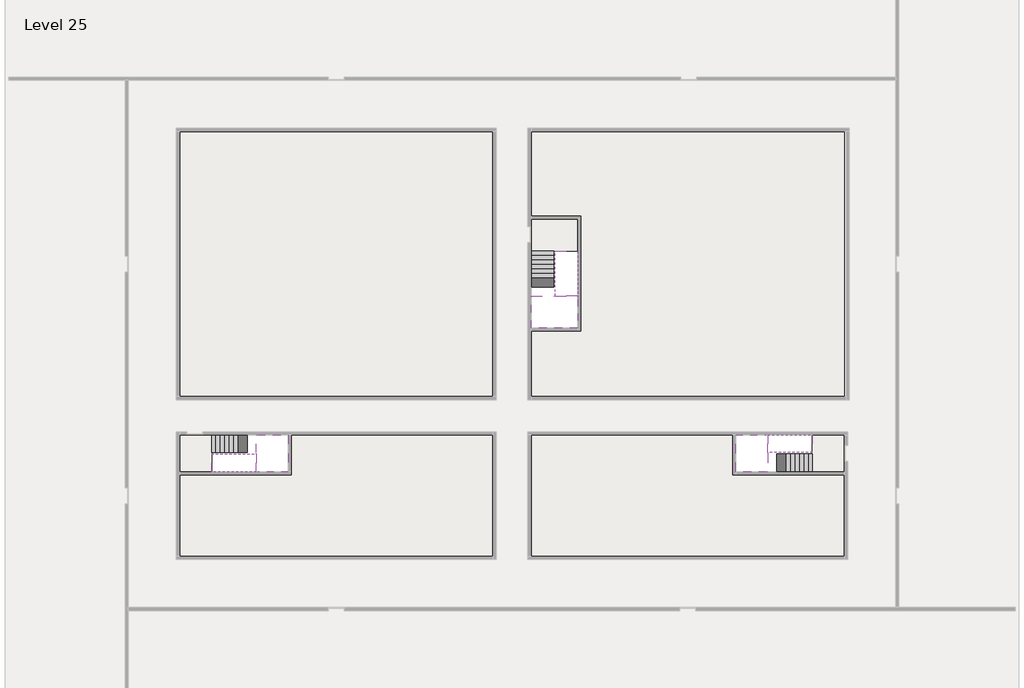
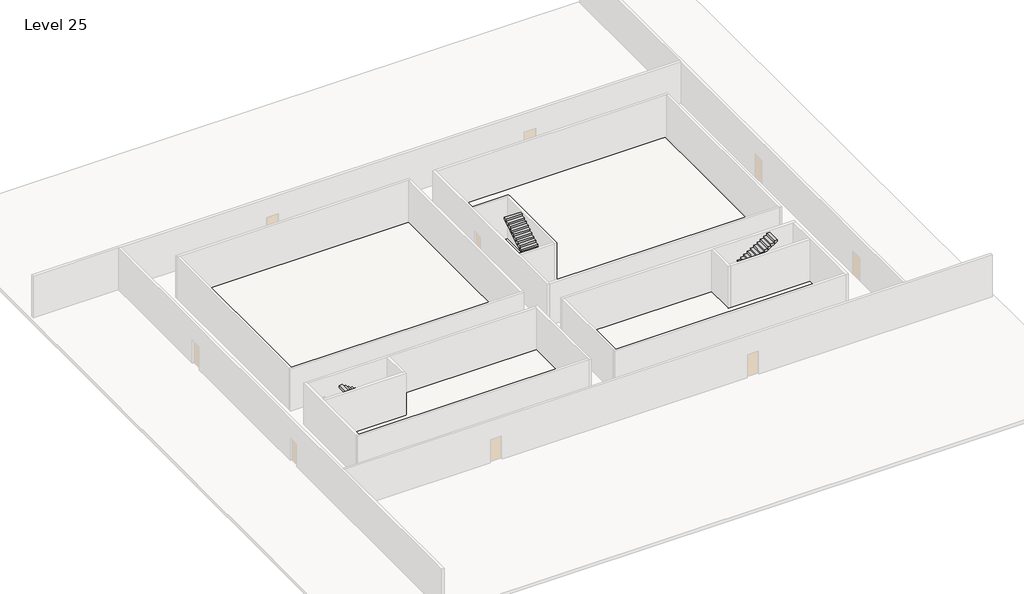
# One storey, part 2 of 2: 6 stair flights, 5 slabs.
"""IFC4 building model written with IfcOpenShell, lengths in millimetres."""

from ifc_helpers import new_model, si_unit, frame, origin, place, context, project, spatial, polyline, outline, extrude, faceted_brep, element, save

model = new_model("IFC4")

# Units and contexts
model_context = context("Model", 3, world=origin())
ifc_project = project(units=[si_unit("LENGTHUNIT", "METRE", prefix="MILLI")], contexts=[model_context])

# Site, building, storey
site = spatial("IfcSite", under=ifc_project)
building = spatial("IfcBuilding", under=site)
storey = spatial("IfcBuildingStorey", under=building, Name="Level 25", Elevation=91200.0)

# Slabs
placement = place(None, origin())
element("IfcSlab", 1, at=placement, inside=storey, context=model_context, shape_type="Brep", body=[
    faceted_brep([(8190.1058784, -42918.09644, 93100.0), (8190.1058784, -44018.09644, 93100.0), (8190.1058784, -44118.09644, 93100.0), (8190.1058784, -45218.09644, 93100.0), (8390.7194421, -45218.09644, 93100.0), (10190.1058784, -45218.09644, 93100.0), (10190.1058784, -42918.09644, 93100.0), (8269.4923146, -42918.09644, 93100.0), (8190.1058784, -42918.09644, 92927.2727273), (8190.1058784, -42918.09644, 92751.0278478), (8190.1058784, -44018.09644, 92751.0278478), (8190.1058784, -44018.09644, 92800.0), (8190.1058784, -44118.09644, 92800.0), (8190.1058784, -44118.09644, 92923.7551205), (8190.1058784, -45218.09644, 92923.7551205), (8390.7194421, -45218.09644, 92800.0), (10190.1058784, -45218.09644, 92800.0), (10190.1058784, -42918.09644, 92800.0), (8269.4923146, -42918.09644, 92800.0), (8390.7194421, -44118.09644, 92800.0), (8269.4923146, -44018.09644, 92800.0)], [[[0, 1, 2, 3, 4, 5, 6, 7]], [[1, 0, 8, 9, 10, 11]], [[2, 1, 11, 12, 13]], [[3, 2, 13, 14]], [[3, 14, 15, 16, 5, 4]], [[6, 5, 16, 17]], [[9, 8, 0, 7, 6, 17, 18]], [[19, 12, 11, 20, 18, 17, 16, 15]], [[12, 19, 13]], [[18, 20, 10, 9]], [[20, 11, 10]], [[19, 15, 14, 13]]]),
])
element("IfcSlab", 2, at=placement, inside=storey, context=model_context, shape_type="Brep", body=[
    faceted_brep([(40190.1058784, -45218.09644, 93100.0), (40190.1058784, -44118.09644, 93100.0), (40190.1058784, -44018.09644, 93100.0), (40190.1058784, -42918.09644, 93100.0), (39989.4923146, -42918.09644, 93100.0), (38190.1058784, -42918.09644, 93100.0), (38190.1058784, -45218.09644, 93100.0), (40110.7194421, -45218.09644, 93100.0), (40190.1058784, -45218.09644, 92927.2727273), (40190.1058784, -45218.09644, 92751.0278478), (40190.1058784, -44118.09644, 92751.0278478), (40190.1058784, -44118.09644, 92800.0), (40190.1058784, -44018.09644, 92800.0), (40190.1058784, -44018.09644, 92923.7551205), (40190.1058784, -42918.09644, 92923.7551205), (39989.4923146, -42918.09644, 92800.0), (38190.1058784, -42918.09644, 92800.0), (38190.1058784, -45218.09644, 92800.0), (40110.7194421, -45218.09644, 92800.0), (39989.4923146, -44018.09644, 92800.0), (40110.7194421, -44118.09644, 92800.0)], [[[0, 1, 2, 3, 4, 5, 6, 7]], [[1, 0, 8, 9, 10, 11]], [[2, 1, 11, 12, 13]], [[3, 2, 13, 14]], [[3, 14, 15, 16, 5, 4]], [[6, 5, 16, 17]], [[9, 8, 0, 7, 6, 17, 18]], [[19, 12, 11, 20, 18, 17, 16, 15]], [[12, 19, 13]], [[18, 20, 10, 9]], [[20, 11, 10]], [[19, 15, 14, 13]]]),
])
element("IfcSlab", 3, at=placement, inside=storey, context=model_context, shape_type="Brep", body=[
    faceted_brep([(26790.1058784, -34218.09644, 93100.0), (25390.1058784, -34218.09644, 93100.0), (25390.1058784, -34297.4828763, 93100.0), (25390.1058784, -36218.09644, 93100.0), (28290.1058784, -36218.09644, 93100.0), (28290.1058784, -34418.7100038, 93100.0), (28290.1058784, -34218.09644, 93100.0), (26890.1058784, -34218.09644, 93100.0), (26790.1058784, -34218.09644, 92800.0), (26790.1058784, -34218.09644, 92751.0278478), (25390.1058784, -34218.09644, 92751.0278478), (25390.1058784, -34218.09644, 92927.2727273), (25390.1058784, -34297.4828763, 92800.0), (25390.1058784, -36218.09644, 92800.0), (28290.1058784, -36218.09644, 92800.0), (28290.1058784, -34418.7100038, 92800.0), (28290.1058784, -34218.09644, 92923.7551205), (26890.1058784, -34218.09644, 92923.7551205), (26890.1058784, -34218.09644, 92800.0), (26890.1058784, -34418.7100038, 92800.0), (26790.1058784, -34297.4828763, 92800.0)], [[[0, 1, 2, 3, 4, 5, 6, 7]], [[1, 0, 8, 9, 10, 11]], [[1, 11, 10, 12, 13, 3, 2]], [[4, 3, 13, 14]], [[4, 14, 15, 16, 6, 5]], [[7, 6, 16, 17]], [[0, 7, 17, 18, 8]], [[18, 19, 15, 14, 13, 12, 20, 8]], [[19, 18, 17]], [[20, 12, 10, 9]], [[8, 20, 9]], [[15, 19, 17, 16]]]),
])
element("IfcSlab", 4, at=placement, inside=storey, context=model_context, shape_type="SweptSolid", body=[
    extrude(outline(polyline([(22990.1058784, -23918.09644), (22990.1058784, -40518.09644), (3390.1058784, -40518.09644), (3390.1058784, -23918.09644), (22990.1058784, -23918.09644)])), frame((0.0, 0.0, 90900.0), z_axis=(0.0, 0.0, 1.0), x_axis=(1.0, 0.0, 0.0)), (0.0, 0.0, 1.0), 300.0),
    extrude(outline(polyline([(44990.1058784, -23918.09644), (44990.1058784, -40518.09644), (25390.1058784, -40518.09644), (25390.1058784, -36418.09644), (28490.1058784, -36418.09644), (28490.1058784, -29218.09644), (25390.1058784, -29218.09644), (25390.1058784, -23918.09644), (44990.1058784, -23918.09644)])), frame((0.0, 0.0, 90900.0), z_axis=(0.0, 0.0, 1.0), x_axis=(1.0, 0.0, 0.0)), (0.0, 0.0, 1.0), 300.0),
    extrude(outline(polyline([(22990.1058784, -42918.09644), (22990.1058784, -50518.09644), (3390.1058784, -50518.09644), (3390.1058784, -45418.09644), (10390.1058784, -45418.09644), (10390.1058784, -42918.09644), (22990.1058784, -42918.09644)])), frame((0.0, 0.0, 90900.0), z_axis=(0.0, 0.0, 1.0), x_axis=(1.0, 0.0, 0.0)), (0.0, 0.0, 1.0), 300.0),
    extrude(outline(polyline([(37990.1058784, -42918.09644), (37990.1058784, -45418.09644), (44990.1058784, -45418.09644), (44990.1058784, -50518.09644), (25390.1058784, -50518.09644), (25390.1058784, -42918.09644), (37990.1058784, -42918.09644)])), frame((0.0, 0.0, 90900.0), z_axis=(0.0, 0.0, 1.0), x_axis=(1.0, 0.0, 0.0)), (0.0, 0.0, 1.0), 300.0),
])
element("IfcSlab", 5, at=placement, inside=storey, context=model_context, shape_type="SweptSolid", body=[
    extrude(outline(polyline([(44990.1058784, -42918.09644), (44990.1058784, -45218.09644), (42990.1058784, -45218.09644), (42990.1058784, -42918.09644), (44990.1058784, -42918.09644)])), frame((0.0, 0.0, 90900.0), z_axis=(0.0, 0.0, 1.0), x_axis=(1.0, 0.0, 0.0)), (0.0, 0.0, 1.0), 300.0),
    extrude(outline(polyline([(5390.1058784, -42918.09644), (5390.1058784, -45218.09644), (3390.1058784, -45218.09644), (3390.1058784, -42918.09644), (5390.1058784, -42918.09644)])), frame((0.0, 0.0, 90900.0), z_axis=(0.0, 0.0, 1.0), x_axis=(1.0, 0.0, 0.0)), (0.0, 0.0, 1.0), 300.0),
    extrude(outline(polyline([(28290.1058784, -29418.09644), (28290.1058784, -31418.09644), (25390.1058784, -31418.09644), (25390.1058784, -29418.09644), (28290.1058784, -29418.09644)])), frame((0.0, 0.0, 90900.0), z_axis=(0.0, 0.0, 1.0), x_axis=(1.0, 0.0, 0.0)), (0.0, 0.0, 1.0), 300.0),
])

# Stair flights
element("IfcStairFlight", 6, at=placement, inside=storey, context=model_context, shape_type="Brep", body=[
    faceted_brep([(5670.1058784, -42918.09644, 91372.7272727), (5390.1058784, -42918.09644, 91372.7272727), (5390.1058784, -44018.09644, 91372.7272727), (5670.1058784, -44018.09644, 91372.7272727), (5670.1058784, -42918.09644, 91200.0), (5390.1058784, -42918.09644, 91200.0), (5390.1058784, -44018.09644, 91200.0), (5670.1058784, -44018.09644, 91200.0), (5950.1058784, -42918.09644, 91545.4545455), (5670.1058784, -42918.09644, 91545.4545455), (5670.1058784, -44018.09644, 91545.4545455), (5950.1058784, -44018.09644, 91545.4545455), (5950.1058784, -42918.09644, 91369.209666), (5675.8081041, -42918.09644, 91200.0), (5675.8081041, -44018.09644, 91200.0), (5950.1058784, -44018.09644, 91369.209666), (6230.1058784, -42918.09644, 91718.1818182), (5950.1058784, -42918.09644, 91718.1818182), (5950.1058784, -44018.09644, 91718.1818182), (6230.1058784, -44018.09644, 91718.1818182), (6230.1058784, -42918.09644, 91541.9369387), (6230.1058784, -44018.09644, 91541.9369387), (6510.1058784, -42918.09644, 91890.9090909), (6230.1058784, -42918.09644, 91890.9090909), (6230.1058784, -44018.09644, 91890.9090909), (6510.1058784, -44018.09644, 91890.9090909), (6510.1058784, -42918.09644, 91714.6642114), (6510.1058784, -44018.09644, 91714.6642114), (6790.1058784, -42918.09644, 92063.6363636), (6510.1058784, -42918.09644, 92063.6363636), (6510.1058784, -44018.09644, 92063.6363636), (6790.1058784, -44018.09644, 92063.6363636), (6790.1058784, -42918.09644, 91887.3914841), (6790.1058784, -44018.09644, 91887.3914841), (7070.1058784, -42918.09644, 92236.3636364), (6790.1058784, -42918.09644, 92236.3636364), (6790.1058784, -44018.09644, 92236.3636364), (7070.1058784, -44018.09644, 92236.3636364), (7070.1058784, -42918.09644, 92060.1187569), (7070.1058784, -44018.09644, 92060.1187569), (7350.1058784, -42918.09644, 92409.0909091), (7070.1058784, -42918.09644, 92409.0909091), (7070.1058784, -44018.09644, 92409.0909091), (7350.1058784, -44018.09644, 92409.0909091), (7350.1058784, -42918.09644, 92232.8460296), (7350.1058784, -44018.09644, 92232.8460296), (7630.1058784, -42918.09644, 92581.8181818), (7350.1058784, -42918.09644, 92581.8181818), (7350.1058784, -44018.09644, 92581.8181818), (7630.1058784, -44018.09644, 92581.8181818), (7630.1058784, -42918.09644, 92405.5733023), (7630.1058784, -44018.09644, 92405.5733023), (7910.1058784, -42918.09644, 92754.5454545), (7630.1058784, -42918.09644, 92754.5454545), (7630.1058784, -44018.09644, 92754.5454545), (7910.1058784, -44018.09644, 92754.5454545), (7910.1058784, -42918.09644, 92578.3005751), (7910.1058784, -44018.09644, 92578.3005751), (8190.1058784, -42918.09644, 92927.2727273), (7910.1058784, -42918.09644, 92927.2727273), (7910.1058784, -44018.09644, 92927.2727273), (8190.1058784, -44018.09644, 92927.2727273), (8190.1058784, -42918.09644, 92751.0278478), (8190.1058784, -44018.09644, 92751.0278478), (8190.1058784, -44018.09644, 92800.0)], [[[0, 1, 2, 3]], [[1, 0, 4, 5]], [[2, 1, 5, 6]], [[3, 2, 6, 7]], [[8, 9, 10, 11]], [[4, 0, 9, 8, 12, 13]], [[0, 3, 10, 9]], [[3, 7, 14, 15, 11, 10]], [[16, 17, 18, 19]], [[17, 16, 20, 12, 8]], [[8, 11, 18, 17]], [[19, 18, 11, 15, 21]], [[22, 23, 24, 25]], [[23, 22, 26, 20, 16]], [[16, 19, 24, 23]], [[25, 24, 19, 21, 27]], [[28, 29, 30, 31]], [[29, 28, 32, 26, 22]], [[22, 25, 30, 29]], [[31, 30, 25, 27, 33]], [[34, 35, 36, 37]], [[35, 34, 38, 32, 28]], [[28, 31, 36, 35]], [[37, 36, 31, 33, 39]], [[40, 41, 42, 43]], [[41, 40, 44, 38, 34]], [[34, 37, 42, 41]], [[43, 42, 37, 39, 45]], [[46, 47, 48, 49]], [[47, 46, 50, 44, 40]], [[40, 43, 48, 47]], [[49, 48, 43, 45, 51]], [[52, 53, 54, 55]], [[53, 52, 56, 50, 46]], [[46, 49, 54, 53]], [[55, 54, 49, 51, 57]], [[58, 59, 60, 61]], [[59, 58, 62, 56, 52]], [[52, 55, 60, 59]], [[61, 60, 55, 57, 63, 64]], [[58, 61, 64, 63, 62]], [[5, 4, 13, 14, 7, 6]], [[14, 13, 12, 20, 26, 32, 38, 44, 50, 56, 62, 63, 57, 51, 45, 39, 33, 27, 21, 15]]]),
])
element("IfcStairFlight", 7, at=placement, inside=storey, context=model_context, shape_type="Brep", body=[
    faceted_brep([(7910.1058784, -45218.09644, 93272.7272727), (8190.1058784, -45218.09644, 93272.7272727), (8190.1058784, -44118.09644, 93272.7272727), (7910.1058784, -44118.09644, 93272.7272727), (7910.1058784, -45218.09644, 93096.4823932), (8190.1058784, -45218.09644, 92923.7551205), (8190.1058784, -45218.09644, 93100.0), (8190.1058784, -44118.09644, 92923.7551205), (7910.1058784, -44118.09644, 93096.4823932), (7630.1058784, -45218.09644, 93445.4545455), (7910.1058784, -45218.09644, 93445.4545455), (7910.1058784, -44118.09644, 93445.4545455), (7630.1058784, -44118.09644, 93445.4545455), (7630.1058784, -45218.09644, 93269.209666), (7630.1058784, -44118.09644, 93269.209666), (7350.1058784, -45218.09644, 93618.1818182), (7630.1058784, -45218.09644, 93618.1818182), (7630.1058784, -44118.09644, 93618.1818182), (7350.1058784, -44118.09644, 93618.1818182), (7350.1058784, -45218.09644, 93441.9369387), (7350.1058784, -44118.09644, 93441.9369387), (7070.1058784, -45218.09644, 93790.9090909), (7350.1058784, -45218.09644, 93790.9090909), (7350.1058784, -44118.09644, 93790.9090909), (7070.1058784, -44118.09644, 93790.9090909), (7070.1058784, -45218.09644, 93614.6642114), (7070.1058784, -44118.09644, 93614.6642114), (6790.1058784, -45218.09644, 93963.6363636), (7070.1058784, -45218.09644, 93963.6363636), (7070.1058784, -44118.09644, 93963.6363636), (6790.1058784, -44118.09644, 93963.6363636), (6790.1058784, -45218.09644, 93787.3914841), (6790.1058784, -44118.09644, 93787.3914841), (6510.1058784, -45218.09644, 94136.3636364), (6790.1058784, -45218.09644, 94136.3636364), (6790.1058784, -44118.09644, 94136.3636364), (6510.1058784, -44118.09644, 94136.3636364), (6510.1058784, -45218.09644, 93960.1187569), (6510.1058784, -44118.09644, 93960.1187569), (6230.1058784, -45218.09644, 94309.0909091), (6510.1058784, -45218.09644, 94309.0909091), (6510.1058784, -44118.09644, 94309.0909091), (6230.1058784, -44118.09644, 94309.0909091), (6230.1058784, -45218.09644, 94132.8460296), (6230.1058784, -44118.09644, 94132.8460296), (5950.1058784, -45218.09644, 94481.8181818), (6230.1058784, -45218.09644, 94481.8181818), (6230.1058784, -44118.09644, 94481.8181818), (5950.1058784, -44118.09644, 94481.8181818), (5950.1058784, -45218.09644, 94305.5733023), (5950.1058784, -44118.09644, 94305.5733023), (5670.1058784, -45218.09644, 94654.5454545), (5950.1058784, -45218.09644, 94654.5454545), (5950.1058784, -44118.09644, 94654.5454545), (5670.1058784, -44118.09644, 94654.5454545), (5670.1058784, -45218.09644, 94478.3005751), (5670.1058784, -44118.09644, 94478.3005751), (5390.1058784, -45218.09644, 94827.2727273), (5670.1058784, -45218.09644, 94827.2727273), (5670.1058784, -44118.09644, 94827.2727273), (5390.1058784, -44118.09644, 94827.2727273), (5390.1058784, -45218.09644, 94651.0278478), (5390.1058784, -44118.09644, 94651.0278478)], [[[0, 1, 2, 3]], [[1, 0, 4, 5, 6]], [[2, 1, 6, 5, 7]], [[3, 2, 7, 8]], [[9, 10, 11, 12]], [[10, 9, 13, 4, 0]], [[11, 10, 0, 3]], [[12, 11, 3, 8, 14]], [[15, 16, 17, 18]], [[16, 15, 19, 13, 9]], [[17, 16, 9, 12]], [[18, 17, 12, 14, 20]], [[21, 22, 23, 24]], [[22, 21, 25, 19, 15]], [[23, 22, 15, 18]], [[24, 23, 18, 20, 26]], [[27, 28, 29, 30]], [[28, 27, 31, 25, 21]], [[29, 28, 21, 24]], [[30, 29, 24, 26, 32]], [[33, 34, 35, 36]], [[34, 33, 37, 31, 27]], [[35, 34, 27, 30]], [[36, 35, 30, 32, 38]], [[39, 40, 41, 42]], [[40, 39, 43, 37, 33]], [[41, 40, 33, 36]], [[42, 41, 36, 38, 44]], [[45, 46, 47, 48]], [[46, 45, 49, 43, 39]], [[47, 46, 39, 42]], [[48, 47, 42, 44, 50]], [[51, 52, 53, 54]], [[52, 51, 55, 49, 45]], [[53, 52, 45, 48]], [[54, 53, 48, 50, 56]], [[57, 58, 59, 60]], [[58, 57, 61, 55, 51]], [[59, 58, 51, 54]], [[60, 59, 54, 56, 62]], [[57, 60, 62, 61]], [[5, 4, 13, 19, 25, 31, 37, 43, 49, 55, 61, 62, 56, 50, 44, 38, 32, 26, 20, 14, 8, 7]]]),
])
element("IfcStairFlight", 8, at=placement, inside=storey, context=model_context, shape_type="Brep", body=[
    faceted_brep([(42710.1058784, -45218.09644, 91372.7272727), (42990.1058784, -45218.09644, 91372.7272727), (42990.1058784, -44118.09644, 91372.7272727), (42710.1058784, -44118.09644, 91372.7272727), (42710.1058784, -45218.09644, 91200.0), (42990.1058784, -45218.09644, 91200.0), (42990.1058784, -44118.09644, 91200.0), (42710.1058784, -44118.09644, 91200.0), (42430.1058784, -45218.09644, 91545.4545455), (42710.1058784, -45218.09644, 91545.4545455), (42710.1058784, -44118.09644, 91545.4545455), (42430.1058784, -44118.09644, 91545.4545455), (42430.1058784, -45218.09644, 91369.209666), (42704.4036527, -45218.09644, 91200.0), (42704.4036527, -44118.09644, 91200.0), (42430.1058784, -44118.09644, 91369.209666), (42150.1058784, -45218.09644, 91718.1818182), (42430.1058784, -45218.09644, 91718.1818182), (42430.1058784, -44118.09644, 91718.1818182), (42150.1058784, -44118.09644, 91718.1818182), (42150.1058784, -45218.09644, 91541.9369387), (42150.1058784, -44118.09644, 91541.9369387), (41870.1058784, -45218.09644, 91890.9090909), (42150.1058784, -45218.09644, 91890.9090909), (42150.1058784, -44118.09644, 91890.9090909), (41870.1058784, -44118.09644, 91890.9090909), (41870.1058784, -45218.09644, 91714.6642114), (41870.1058784, -44118.09644, 91714.6642114), (41590.1058784, -45218.09644, 92063.6363636), (41870.1058784, -45218.09644, 92063.6363636), (41870.1058784, -44118.09644, 92063.6363636), (41590.1058784, -44118.09644, 92063.6363636), (41590.1058784, -45218.09644, 91887.3914841), (41590.1058784, -44118.09644, 91887.3914841), (41310.1058784, -45218.09644, 92236.3636364), (41590.1058784, -45218.09644, 92236.3636364), (41590.1058784, -44118.09644, 92236.3636364), (41310.1058784, -44118.09644, 92236.3636364), (41310.1058784, -45218.09644, 92060.1187569), (41310.1058784, -44118.09644, 92060.1187569), (41030.1058784, -45218.09644, 92409.0909091), (41310.1058784, -45218.09644, 92409.0909091), (41310.1058784, -44118.09644, 92409.0909091), (41030.1058784, -44118.09644, 92409.0909091), (41030.1058784, -45218.09644, 92232.8460296), (41030.1058784, -44118.09644, 92232.8460296), (40750.1058784, -45218.09644, 92581.8181818), (41030.1058784, -45218.09644, 92581.8181818), (41030.1058784, -44118.09644, 92581.8181818), (40750.1058784, -44118.09644, 92581.8181818), (40750.1058784, -45218.09644, 92405.5733023), (40750.1058784, -44118.09644, 92405.5733023), (40470.1058784, -45218.09644, 92754.5454545), (40750.1058784, -45218.09644, 92754.5454545), (40750.1058784, -44118.09644, 92754.5454545), (40470.1058784, -44118.09644, 92754.5454545), (40470.1058784, -45218.09644, 92578.3005751), (40470.1058784, -44118.09644, 92578.3005751), (40190.1058784, -45218.09644, 92927.2727273), (40470.1058784, -45218.09644, 92927.2727273), (40470.1058784, -44118.09644, 92927.2727273), (40190.1058784, -44118.09644, 92927.2727273), (40190.1058784, -45218.09644, 92751.0278478), (40190.1058784, -44118.09644, 92751.0278478), (40190.1058784, -44118.09644, 92800.0)], [[[0, 1, 2, 3]], [[1, 0, 4, 5]], [[2, 1, 5, 6]], [[3, 2, 6, 7]], [[8, 9, 10, 11]], [[4, 0, 9, 8, 12, 13]], [[0, 3, 10, 9]], [[3, 7, 14, 15, 11, 10]], [[16, 17, 18, 19]], [[17, 16, 20, 12, 8]], [[8, 11, 18, 17]], [[19, 18, 11, 15, 21]], [[22, 23, 24, 25]], [[23, 22, 26, 20, 16]], [[16, 19, 24, 23]], [[25, 24, 19, 21, 27]], [[28, 29, 30, 31]], [[29, 28, 32, 26, 22]], [[22, 25, 30, 29]], [[31, 30, 25, 27, 33]], [[34, 35, 36, 37]], [[35, 34, 38, 32, 28]], [[28, 31, 36, 35]], [[37, 36, 31, 33, 39]], [[40, 41, 42, 43]], [[41, 40, 44, 38, 34]], [[34, 37, 42, 41]], [[43, 42, 37, 39, 45]], [[46, 47, 48, 49]], [[47, 46, 50, 44, 40]], [[40, 43, 48, 47]], [[49, 48, 43, 45, 51]], [[52, 53, 54, 55]], [[53, 52, 56, 50, 46]], [[46, 49, 54, 53]], [[55, 54, 49, 51, 57]], [[58, 59, 60, 61]], [[59, 58, 62, 56, 52]], [[52, 55, 60, 59]], [[61, 60, 55, 57, 63, 64]], [[58, 61, 64, 63, 62]], [[5, 4, 13, 14, 7, 6]], [[14, 13, 12, 20, 26, 32, 38, 44, 50, 56, 62, 63, 57, 51, 45, 39, 33, 27, 21, 15]]]),
])
element("IfcStairFlight", 9, at=placement, inside=storey, context=model_context, shape_type="Brep", body=[
    faceted_brep([(40470.1058784, -42918.09644, 93272.7272727), (40190.1058784, -42918.09644, 93272.7272727), (40190.1058784, -44018.09644, 93272.7272727), (40470.1058784, -44018.09644, 93272.7272727), (40470.1058784, -42918.09644, 93096.4823932), (40190.1058784, -42918.09644, 92923.7551205), (40190.1058784, -42918.09644, 93100.0), (40190.1058784, -44018.09644, 92923.7551205), (40470.1058784, -44018.09644, 93096.4823932), (40750.1058784, -42918.09644, 93445.4545455), (40470.1058784, -42918.09644, 93445.4545455), (40470.1058784, -44018.09644, 93445.4545455), (40750.1058784, -44018.09644, 93445.4545455), (40750.1058784, -42918.09644, 93269.209666), (40750.1058784, -44018.09644, 93269.209666), (41030.1058784, -42918.09644, 93618.1818182), (40750.1058784, -42918.09644, 93618.1818182), (40750.1058784, -44018.09644, 93618.1818182), (41030.1058784, -44018.09644, 93618.1818182), (41030.1058784, -42918.09644, 93441.9369387), (41030.1058784, -44018.09644, 93441.9369387), (41310.1058784, -42918.09644, 93790.9090909), (41030.1058784, -42918.09644, 93790.9090909), (41030.1058784, -44018.09644, 93790.9090909), (41310.1058784, -44018.09644, 93790.9090909), (41310.1058784, -42918.09644, 93614.6642114), (41310.1058784, -44018.09644, 93614.6642114), (41590.1058784, -42918.09644, 93963.6363636), (41310.1058784, -42918.09644, 93963.6363636), (41310.1058784, -44018.09644, 93963.6363636), (41590.1058784, -44018.09644, 93963.6363636), (41590.1058784, -42918.09644, 93787.3914841), (41590.1058784, -44018.09644, 93787.3914841), (41870.1058784, -42918.09644, 94136.3636364), (41590.1058784, -42918.09644, 94136.3636364), (41590.1058784, -44018.09644, 94136.3636364), (41870.1058784, -44018.09644, 94136.3636364), (41870.1058784, -42918.09644, 93960.1187569), (41870.1058784, -44018.09644, 93960.1187569), (42150.1058784, -42918.09644, 94309.0909091), (41870.1058784, -42918.09644, 94309.0909091), (41870.1058784, -44018.09644, 94309.0909091), (42150.1058784, -44018.09644, 94309.0909091), (42150.1058784, -42918.09644, 94132.8460296), (42150.1058784, -44018.09644, 94132.8460296), (42430.1058784, -42918.09644, 94481.8181818), (42150.1058784, -42918.09644, 94481.8181818), (42150.1058784, -44018.09644, 94481.8181818), (42430.1058784, -44018.09644, 94481.8181818), (42430.1058784, -42918.09644, 94305.5733023), (42430.1058784, -44018.09644, 94305.5733023), (42710.1058784, -42918.09644, 94654.5454545), (42430.1058784, -42918.09644, 94654.5454545), (42430.1058784, -44018.09644, 94654.5454545), (42710.1058784, -44018.09644, 94654.5454545), (42710.1058784, -42918.09644, 94478.3005751), (42710.1058784, -44018.09644, 94478.3005751), (42990.1058784, -42918.09644, 94827.2727273), (42710.1058784, -42918.09644, 94827.2727273), (42710.1058784, -44018.09644, 94827.2727273), (42990.1058784, -44018.09644, 94827.2727273), (42990.1058784, -42918.09644, 94651.0278478), (42990.1058784, -44018.09644, 94651.0278478)], [[[0, 1, 2, 3]], [[1, 0, 4, 5, 6]], [[2, 1, 6, 5, 7]], [[3, 2, 7, 8]], [[9, 10, 11, 12]], [[10, 9, 13, 4, 0]], [[11, 10, 0, 3]], [[12, 11, 3, 8, 14]], [[15, 16, 17, 18]], [[16, 15, 19, 13, 9]], [[17, 16, 9, 12]], [[18, 17, 12, 14, 20]], [[21, 22, 23, 24]], [[22, 21, 25, 19, 15]], [[23, 22, 15, 18]], [[24, 23, 18, 20, 26]], [[27, 28, 29, 30]], [[28, 27, 31, 25, 21]], [[29, 28, 21, 24]], [[30, 29, 24, 26, 32]], [[33, 34, 35, 36]], [[34, 33, 37, 31, 27]], [[35, 34, 27, 30]], [[36, 35, 30, 32, 38]], [[39, 40, 41, 42]], [[40, 39, 43, 37, 33]], [[41, 40, 33, 36]], [[42, 41, 36, 38, 44]], [[45, 46, 47, 48]], [[46, 45, 49, 43, 39]], [[47, 46, 39, 42]], [[48, 47, 42, 44, 50]], [[51, 52, 53, 54]], [[52, 51, 55, 49, 45]], [[53, 52, 45, 48]], [[54, 53, 48, 50, 56]], [[57, 58, 59, 60]], [[58, 57, 61, 55, 51]], [[59, 58, 51, 54]], [[60, 59, 54, 56, 62]], [[57, 60, 62, 61]], [[5, 4, 13, 19, 25, 31, 37, 43, 49, 55, 61, 62, 56, 50, 44, 38, 32, 26, 20, 14, 8, 7]]]),
])
element("IfcStairFlight", 10, at=placement, inside=storey, context=model_context, shape_type="Brep", body=[
    faceted_brep([(26790.1058784, -31698.09644, 91372.7272727), (26790.1058784, -31418.09644, 91372.7272727), (25390.1058784, -31418.09644, 91372.7272727), (25390.1058784, -31698.09644, 91372.7272727), (26790.1058784, -31698.09644, 91200.0), (26790.1058784, -31418.09644, 91200.0), (25390.1058784, -31418.09644, 91200.0), (25390.1058784, -31698.09644, 91200.0), (26790.1058784, -31978.09644, 91545.4545455), (26790.1058784, -31698.09644, 91545.4545455), (25390.1058784, -31698.09644, 91545.4545455), (25390.1058784, -31978.09644, 91545.4545455), (26790.1058784, -31978.09644, 91369.209666), (26790.1058784, -31703.7986657, 91200.0), (25390.1058784, -31703.7986657, 91200.0), (25390.1058784, -31978.09644, 91369.209666), (26790.1058784, -32258.09644, 91718.1818182), (26790.1058784, -31978.09644, 91718.1818182), (25390.1058784, -31978.09644, 91718.1818182), (25390.1058784, -32258.09644, 91718.1818182), (26790.1058784, -32258.09644, 91541.9369387), (25390.1058784, -32258.09644, 91541.9369387), (26790.1058784, -32538.09644, 91890.9090909), (26790.1058784, -32258.09644, 91890.9090909), (25390.1058784, -32258.09644, 91890.9090909), (25390.1058784, -32538.09644, 91890.9090909), (26790.1058784, -32538.09644, 91714.6642114), (25390.1058784, -32538.09644, 91714.6642114), (26790.1058784, -32818.09644, 92063.6363636), (26790.1058784, -32538.09644, 92063.6363636), (25390.1058784, -32538.09644, 92063.6363636), (25390.1058784, -32818.09644, 92063.6363636), (26790.1058784, -32818.09644, 91887.3914841), (25390.1058784, -32818.09644, 91887.3914841), (26790.1058784, -33098.09644, 92236.3636364), (26790.1058784, -32818.09644, 92236.3636364), (25390.1058784, -32818.09644, 92236.3636364), (25390.1058784, -33098.09644, 92236.3636364), (26790.1058784, -33098.09644, 92060.1187569), (25390.1058784, -33098.09644, 92060.1187569), (26790.1058784, -33378.09644, 92409.0909091), (26790.1058784, -33098.09644, 92409.0909091), (25390.1058784, -33098.09644, 92409.0909091), (25390.1058784, -33378.09644, 92409.0909091), (26790.1058784, -33378.09644, 92232.8460296), (25390.1058784, -33378.09644, 92232.8460296), (26790.1058784, -33658.09644, 92581.8181818), (26790.1058784, -33378.09644, 92581.8181818), (25390.1058784, -33378.09644, 92581.8181818), (25390.1058784, -33658.09644, 92581.8181818), (26790.1058784, -33658.09644, 92405.5733023), (25390.1058784, -33658.09644, 92405.5733023), (26790.1058784, -33938.09644, 92754.5454545), (26790.1058784, -33658.09644, 92754.5454545), (25390.1058784, -33658.09644, 92754.5454545), (25390.1058784, -33938.09644, 92754.5454545), (26790.1058784, -33938.09644, 92578.3005751), (25390.1058784, -33938.09644, 92578.3005751), (26790.1058784, -34218.09644, 92927.2727273), (26790.1058784, -33938.09644, 92927.2727273), (25390.1058784, -33938.09644, 92927.2727273), (25390.1058784, -34218.09644, 92927.2727273), (26790.1058784, -34218.09644, 92800.0), (26790.1058784, -34218.09644, 92751.0278478), (25390.1058784, -34218.09644, 92751.0278478)], [[[0, 1, 2, 3]], [[1, 0, 4, 5]], [[2, 1, 5, 6]], [[3, 2, 6, 7]], [[8, 9, 10, 11]], [[4, 0, 9, 8, 12, 13]], [[0, 3, 10, 9]], [[3, 7, 14, 15, 11, 10]], [[16, 17, 18, 19]], [[17, 16, 20, 12, 8]], [[8, 11, 18, 17]], [[19, 18, 11, 15, 21]], [[22, 23, 24, 25]], [[23, 22, 26, 20, 16]], [[16, 19, 24, 23]], [[25, 24, 19, 21, 27]], [[28, 29, 30, 31]], [[29, 28, 32, 26, 22]], [[22, 25, 30, 29]], [[31, 30, 25, 27, 33]], [[34, 35, 36, 37]], [[35, 34, 38, 32, 28]], [[28, 31, 36, 35]], [[37, 36, 31, 33, 39]], [[40, 41, 42, 43]], [[41, 40, 44, 38, 34]], [[34, 37, 42, 41]], [[43, 42, 37, 39, 45]], [[46, 47, 48, 49]], [[47, 46, 50, 44, 40]], [[40, 43, 48, 47]], [[49, 48, 43, 45, 51]], [[52, 53, 54, 55]], [[53, 52, 56, 50, 46]], [[46, 49, 54, 53]], [[55, 54, 49, 51, 57]], [[58, 59, 60, 61]], [[59, 58, 62, 63, 56, 52]], [[52, 55, 60, 59]], [[61, 60, 55, 57, 64]], [[58, 61, 64, 63, 62]], [[5, 4, 13, 14, 7, 6]], [[14, 13, 12, 20, 26, 32, 38, 44, 50, 56, 63, 64, 57, 51, 45, 39, 33, 27, 21, 15]]]),
])
element("IfcStairFlight", 11, at=placement, inside=storey, context=model_context, shape_type="Brep", body=[
    faceted_brep([(26890.1058784, -33938.09644, 93272.7272727), (26890.1058784, -34218.09644, 93272.7272727), (28290.1058784, -34218.09644, 93272.7272727), (28290.1058784, -33938.09644, 93272.7272727), (26890.1058784, -33938.09644, 93096.4823932), (26890.1058784, -34218.09644, 92923.7551205), (28290.1058784, -34218.09644, 92923.7551205), (28290.1058784, -34218.09644, 93100.0), (28290.1058784, -33938.09644, 93096.4823932), (26890.1058784, -33658.09644, 93445.4545455), (26890.1058784, -33938.09644, 93445.4545455), (28290.1058784, -33938.09644, 93445.4545455), (28290.1058784, -33658.09644, 93445.4545455), (26890.1058784, -33658.09644, 93269.209666), (28290.1058784, -33658.09644, 93269.209666), (26890.1058784, -33378.09644, 93618.1818182), (26890.1058784, -33658.09644, 93618.1818182), (28290.1058784, -33658.09644, 93618.1818182), (28290.1058784, -33378.09644, 93618.1818182), (26890.1058784, -33378.09644, 93441.9369387), (28290.1058784, -33378.09644, 93441.9369387), (26890.1058784, -33098.09644, 93790.9090909), (26890.1058784, -33378.09644, 93790.9090909), (28290.1058784, -33378.09644, 93790.9090909), (28290.1058784, -33098.09644, 93790.9090909), (26890.1058784, -33098.09644, 93614.6642114), (28290.1058784, -33098.09644, 93614.6642114), (26890.1058784, -32818.09644, 93963.6363636), (26890.1058784, -33098.09644, 93963.6363636), (28290.1058784, -33098.09644, 93963.6363636), (28290.1058784, -32818.09644, 93963.6363636), (26890.1058784, -32818.09644, 93787.3914841), (28290.1058784, -32818.09644, 93787.3914841), (26890.1058784, -32538.09644, 94136.3636364), (26890.1058784, -32818.09644, 94136.3636364), (28290.1058784, -32818.09644, 94136.3636364), (28290.1058784, -32538.09644, 94136.3636364), (26890.1058784, -32538.09644, 93960.1187569), (28290.1058784, -32538.09644, 93960.1187569), (26890.1058784, -32258.09644, 94309.0909091), (26890.1058784, -32538.09644, 94309.0909091), (28290.1058784, -32538.09644, 94309.0909091), (28290.1058784, -32258.09644, 94309.0909091), (26890.1058784, -32258.09644, 94132.8460296), (28290.1058784, -32258.09644, 94132.8460296), (26890.1058784, -31978.09644, 94481.8181818), (26890.1058784, -32258.09644, 94481.8181818), (28290.1058784, -32258.09644, 94481.8181818), (28290.1058784, -31978.09644, 94481.8181818), (26890.1058784, -31978.09644, 94305.5733023), (28290.1058784, -31978.09644, 94305.5733023), (26890.1058784, -31698.09644, 94654.5454545), (26890.1058784, -31978.09644, 94654.5454545), (28290.1058784, -31978.09644, 94654.5454545), (28290.1058784, -31698.09644, 94654.5454545), (26890.1058784, -31698.09644, 94478.3005751), (28290.1058784, -31698.09644, 94478.3005751), (26890.1058784, -31418.09644, 94827.2727273), (26890.1058784, -31698.09644, 94827.2727273), (28290.1058784, -31698.09644, 94827.2727273), (28290.1058784, -31418.09644, 94827.2727273), (26890.1058784, -31418.09644, 94651.0278478), (28290.1058784, -31418.09644, 94651.0278478)], [[[0, 1, 2, 3]], [[1, 0, 4, 5]], [[2, 1, 5, 6, 7]], [[3, 2, 7, 6, 8]], [[9, 10, 11, 12]], [[10, 9, 13, 4, 0]], [[11, 10, 0, 3]], [[12, 11, 3, 8, 14]], [[15, 16, 17, 18]], [[16, 15, 19, 13, 9]], [[17, 16, 9, 12]], [[18, 17, 12, 14, 20]], [[21, 22, 23, 24]], [[22, 21, 25, 19, 15]], [[23, 22, 15, 18]], [[24, 23, 18, 20, 26]], [[27, 28, 29, 30]], [[28, 27, 31, 25, 21]], [[29, 28, 21, 24]], [[30, 29, 24, 26, 32]], [[33, 34, 35, 36]], [[34, 33, 37, 31, 27]], [[35, 34, 27, 30]], [[36, 35, 30, 32, 38]], [[39, 40, 41, 42]], [[40, 39, 43, 37, 33]], [[41, 40, 33, 36]], [[42, 41, 36, 38, 44]], [[45, 46, 47, 48]], [[46, 45, 49, 43, 39]], [[47, 46, 39, 42]], [[48, 47, 42, 44, 50]], [[51, 52, 53, 54]], [[52, 51, 55, 49, 45]], [[53, 52, 45, 48]], [[54, 53, 48, 50, 56]], [[57, 58, 59, 60]], [[58, 57, 61, 55, 51]], [[59, 58, 51, 54]], [[60, 59, 54, 56, 62]], [[57, 60, 62, 61]], [[5, 4, 13, 19, 25, 31, 37, 43, 49, 55, 61, 62, 56, 50, 44, 38, 32, 26, 20, 14, 8, 6]]]),
])

save(model, "model.ifc")
